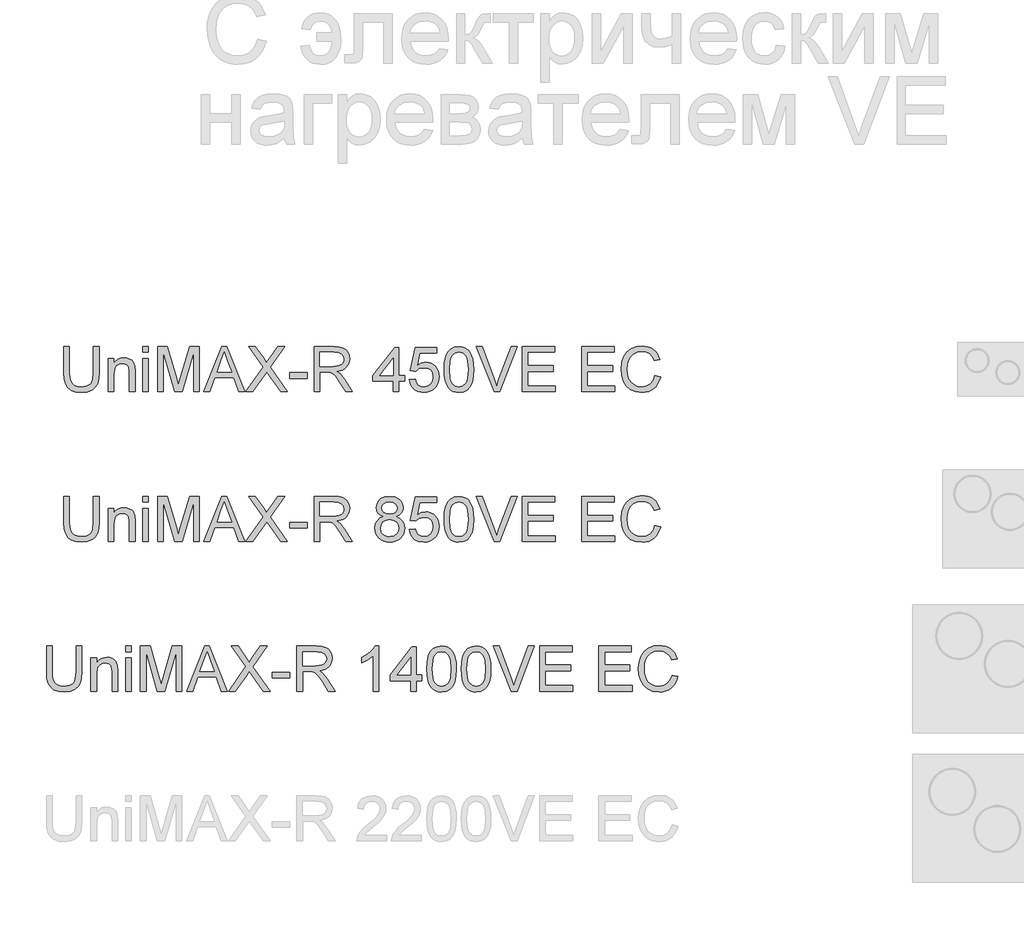
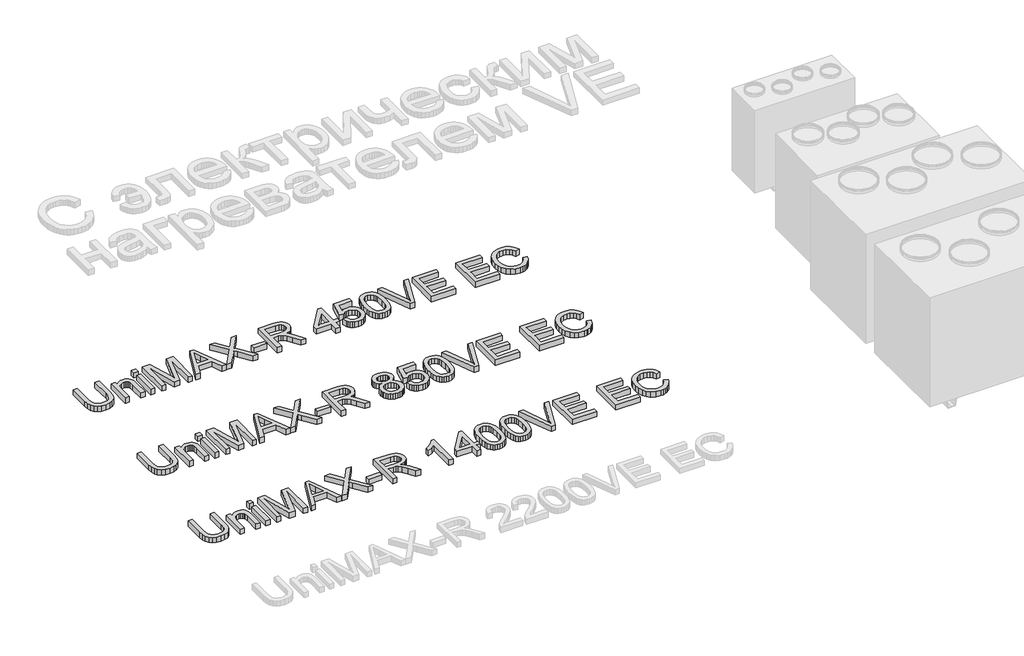
# One storey, part 46 of 74: 3 proxies.
"""IFC4 building model written with IfcOpenShell, lengths in millimetres."""

from ifc_helpers import new_model, si_unit, origin, origin_with_axes, place, context, project, spatial, polyline, outline, extrude, element, save

model = new_model("IFC4")

# Units and contexts
model_context = context("Model", 3, world=origin())
ifc_project = project(units=[si_unit("LENGTHUNIT", "METRE", prefix="MILLI")], contexts=[model_context])

# Site, building, storey
site = spatial("IfcSite", under=ifc_project)
building = spatial("IfcBuilding", under=site)
storey = spatial("IfcBuildingStorey", under=building, Elevation=0.0)

# Proxies
placement = place(None, origin())
element("IfcBuildingElementProxy", 1, Name="Generic Models", at=placement, inside=storey, context=model_context, shape_type="SweptSolid", body=[
    extrude(outline(polyline([(45260.9850854, -27731.9528304), (45298.6562017, -27731.9528304), (45298.6562017, -27905.8138613), (45296.0994218, -27946.5292011), (45288.4290822, -27977.8819441), (45274.1000785, -28002.0701853), (45251.5673063, -28021.2920196), (45220.7755833, -28033.8459926), (45181.6697272, -28038.0306503), (45143.4191968, -28034.3886186), (45112.8390059, -28023.4625233), (45089.9199576, -28005.6294436), (45074.6528548, -27981.2664585), (45066.0720073, -27948.5893403), (45063.2117248, -27905.8138613), (45063.2117248, -27731.9528304), (45100.8828411, -27731.9528304), (45100.8828411, -27904.4894861), (45102.7406451, -27938.3438267), (45108.3140574, -27961.9158655), (45118.4124181, -27978.2406291), (45133.8450678, -27990.3531438), (45153.968213, -27997.8579365), (45178.1380601, -28000.359534), (45216.4529698, -27995.4115212), (45230.7957691, -27989.2265052), (45241.928798, -27980.5674827), (45250.2659237, -27968.3905887), (45256.2210135, -27951.6519579), (45260.9850854, -27904.4894861), (45260.9850854, -27731.9528304)])), origin_with_axes(), (0.0, 0.0, 1.0), 50.0),
    extrude(outline(polyline([(45359.8717657, -28033.3217608), (45359.8717657, -27812.0039525), (45397.542882, -27812.0039525), (45397.542882, -27842.9060401), (45410.630284, -27827.3262376), (45426.3480422, -27816.1978072), (45444.6961567, -27809.520749), (45465.6746275, -27807.295063), (45484.2434712, -27809.0884877), (45501.2488164, -27814.4687619), (45515.4306673, -27822.7645009), (45525.5290281, -27833.30432), (45536.8230053, -27861.0058343), (45538.8095681, -27897.4261518), (45538.8095681, -28033.3217608), (45501.1384518, -28033.3217608), (45501.1384518, -27902.5029233), (45496.7974443, -27869.1728146), (45490.7917707, -27859.2491977), (45481.4567651, -27851.551267), (45469.4914032, -27846.6124512), (45455.5946608, -27844.9661793), (45433.5309382, -27848.6633933), (45414.7229712, -27859.7550355), (45407.2066821, -27868.8095311), (45401.8379043, -27881.1841617), (45397.542882, -27915.8938279), (45397.542882, -28033.3217608), (45359.8717657, -28033.3217608)])), origin_with_axes(), (0.0, 0.0, 1.0), 50.0),
    extrude(outline(polyline([(45590.607353, -28033.3217608), (45590.607353, -27812.0039525), (45628.2784694, -27812.0039525), (45628.2784694, -28033.3217608), (45590.607353, -28033.3217608)])), origin_with_axes(), (0.0, 0.0, 1.0), 50.0),
    extrude(outline(polyline([(45590.607353, -27769.6239467), (45590.607353, -27731.9528304), (45628.2784694, -27731.9528304), (45628.2784694, -27769.6239467), (45590.607353, -27769.6239467)])), origin_with_axes(), (0.0, 0.0, 1.0), 50.0),
    extrude(outline(polyline([(45689.4940333, -28033.3217608), (45689.4940333, -27731.9528304), (45754.3148409, -27731.9528304), (45815.9718633, -27944.3678944), (45828.4062747, -27988.734463), (45841.8707558, -27940.6890744), (45902.4977086, -27731.9528304), (45967.3185161, -27731.9528304), (45967.3185161, -28033.3217608), (45929.6473998, -28033.3217608), (45929.6473998, -27769.6239467), (45853.9372852, -28033.3217608), (45802.8752643, -28033.3217608), (45727.1651497, -27769.6239467), (45727.1651497, -28033.3217608), (45689.4940333, -28033.3217608)])), origin_with_axes(), (0.0, 0.0, 1.0), 50.0),
    extrude(outline(polyline([(45998.1470273, -28033.3217608), (46118.4444397, -27731.9528304), (46150.5237497, -27731.9528304), (46270.8211621, -28033.3217608), (46231.0163302, -28033.3217608), (46196.5089991, -27939.14397), (46072.3856139, -27939.14397), (46037.9518592, -28033.3217608), (45998.1470273, -28033.3217608)]), holes=[polyline([(46086.2179769, -27901.4728537), (46182.7502125, -27901.4728537), (46155.6005212, -27827.3814199), (46134.4840947, -27769.6239467), (46115.722113, -27820.9066968), (46086.2179769, -27901.4728537)])]), origin_with_axes(), (0.0, 0.0, 1.0), 50.0),
    extrude(outline(polyline([(46278.1052256, -28033.3217608), (46394.2823597, -27869.0992382), (46296.9407838, -27731.9528304), (46342.1166928, -27731.9528304), (46396.9311101, -27809.1344729), (46415.3987862, -27839.2272201), (46437.0302475, -27808.6194381), (46491.2560536, -27731.9528304), (46537.0941502, -27731.9528304), (46439.7525743, -27869.5406965), (46555.9297084, -28033.3217608), (46510.7537994, -28033.3217608), (46433.3514276, -27924.1343846), (46417.2381962, -27901.4728537), (46399.506284, -27926.3416766), (46323.9433222, -28033.3217608), (46278.1052256, -28033.3217608)])), origin_with_axes(), (0.0, 0.0, 1.0), 50.0),
    extrude(outline(polyline([(46570.056377, -27943.8528596), (46570.056377, -27906.1817433), (46687.7786155, -27906.1817433), (46687.7786155, -27943.8528596), (46570.056377, -27943.8528596)])), origin_with_axes(), (0.0, 0.0, 1.0), 50.0),
    extrude(outline(polyline([(46734.8675108, -28033.3217608), (46734.8675108, -27731.9528304), (46864.7298551, -27731.9528304), (46899.6326594, -27733.9853784), (46925.0257141, -27740.0830224), (46943.5853608, -27751.3402115), (46957.9879409, -27768.8513945), (46967.230976, -27790.5656292), (46970.3119878, -27814.4319737), (46965.2076251, -27844.1200507), (46949.894537, -27868.7313562), (46938.2947579, -27878.7607391), (46923.9128711, -27886.775968), (46886.8027749, -27896.7639642), (46908.213507, -27912.8771956), (46938.7477126, -27951.6519579), (46989.0003931, -28033.3217608), (46945.2224357, -28033.3217608), (46906.006215, -27970.855398), (46877.6793014, -27929.5054618), (46857.7768854, -27909.9709278), (46839.8610323, -27902.7972289), (46818.0088418, -27901.4728537), (46772.5386271, -27901.4728537), (46772.5386271, -28033.3217608), (46734.8675108, -28033.3217608)]), holes=[polyline([(46772.5386271, -27863.8017374), (46856.8571804, -27863.8017374), (46881.0730128, -27862.4681652), (46899.8625857, -27858.4674485), (46914.0076484, -27851.5328729), (46924.2899502, -27841.3977239), (46930.5531411, -27829.1380564), (46932.6408714, -27815.8299253), (46928.6585489, -27797.4542196), (46916.7115811, -27782.6469693), (46896.1561746, -27772.8797023), (46866.3485359, -27769.6239467), (46772.5386271, -27769.6239467), (46772.5386271, -27863.8017374)])]), origin_with_axes(), (0.0, 0.0, 1.0), 50.0),
    extrude(outline(polyline([(47262.2631391, -28033.3217608), (47262.2631391, -27962.6884177), (47125.7053425, -27962.6884177), (47125.7053425, -27925.0173014), (47271.6809182, -27736.6617199), (47299.9342554, -27736.6617199), (47299.9342554, -27925.0173014), (47337.6053717, -27925.0173014), (47337.6053717, -27962.6884177), (47299.9342554, -27962.6884177), (47299.9342554, -28033.3217608), (47262.2631391, -28033.3217608)]), holes=[polyline([(47262.2631391, -27925.0173014), (47262.2631391, -27808.6194381), (47172.0584739, -27925.0173014), (47262.2631391, -27925.0173014)])]), origin_with_axes(), (0.0, 0.0, 1.0), 50.0),
    extrude(outline(polyline([(47370.5675985, -27953.2706387), (47408.2387148, -27948.5617491), (47415.1548963, -27971.1772948), (47427.2214258, -27987.3732996), (47444.3831208, -27997.1129754), (47466.5847992, -28000.359534), (47493.5873377, -27995.8437825), (47513.8208474, -27982.2965281), (47526.457594, -27961.2812691), (47530.6698428, -27934.3615041), (47526.7243084, -27909.0144346), (47514.8877052, -27889.6270535), (47495.0680627, -27877.3214007), (47467.1734104, -27873.2195165), (47448.8988723, -27874.8565914), (47434.1008191, -27879.767816), (47412.9476044, -27896.7639642), (47375.276488, -27892.0550747), (47408.2387148, -27736.6617199), (47554.2142905, -27736.6617199), (47554.2142905, -27774.3328362), (47438.699344, -27774.3328362), (47422.5861126, -27857.3270143), (47449.4966806, -27840.9930537), (47477.6948355, -27835.5484002), (47496.0406508, -27837.2360588), (47512.8919454, -27842.2990348), (47528.2487194, -27850.7373281), (47542.1109729, -27862.5509386), (47553.5865918, -27877.0178981), (47561.7834626, -27893.416238), (47566.701585, -27911.7459584), (47568.3409591, -27932.0070593), (47562.4364531, -27969.6781756), (47555.0558206, -27986.4719887), (47544.722935, -28001.9046384), (47529.0695561, -28017.7097686), (47510.8042151, -28028.9991474), (47489.9269118, -28035.7727746), (47466.4376465, -28038.0306503), (47429.4379148, -28032.2273119), (47413.759244, -28024.9731388), (47399.9613699, -28014.8172964), (47388.4811524, -28002.2656226), (47379.7554513, -27987.823955), (47370.5675985, -27953.2706387)])), origin_with_axes(), (0.0, 0.0, 1.0), 50.0),
    extrude(outline(polyline([(47601.3031859, -27885.0653167), (47604.0714979, -27836.8267901), (47612.3764339, -27798.3555305), (47626.1352206, -27769.0629266), (47645.2650843, -27748.3603673), (47669.9039809, -27736.0547146), (47700.1898662, -27731.9528304), (47723.4032201, -27734.3808515), (47744.1885528, -27741.664915), (47761.5709771, -27753.5199123), (47774.5756056, -27769.6607349), (47784.3980549, -27789.9494269), (47792.2339414, -27814.2480327), (47797.3658952, -27845.104135), (47799.0765465, -27885.0653167), (47796.3358256, -27933.0279319), (47788.113663, -27971.407221), (47774.4376499, -28000.727416), (47755.3353773, -28021.5127488), (47730.6412983, -28033.9011749), (47700.1898662, -28038.0306503), (47679.4413217, -28036.2372256), (47661.0472219, -28030.8569514), (47645.0075669, -28021.8898278), (47631.3223567, -28009.3358547), (47618.1889695, -27986.6421341), (47608.8079786, -27958.3658043), (47603.1793841, -27924.5068652), (47601.3031859, -27885.0653167)]), holes=[polyline([(47638.9743022, -27884.9917403), (47643.3888861, -27944.2483327), (47648.9071161, -27964.5163314), (47656.632638, -27978.5441317), (47676.3511129, -27994.9056835), (47700.1898662, -28000.359534), (47724.0286195, -27994.8872894), (47743.7470944, -27978.4705553), (47751.4726163, -27964.4197624), (47756.9908462, -27944.1563622), (47761.4054302, -27884.9917403), (47757.137999, -27827.0687202), (47751.8037101, -27806.8674001), (47744.3357056, -27792.5062068), (47724.6540189, -27775.3445117), (47699.7484078, -27769.6239467), (47676.1671719, -27774.66393), (47657.2212491, -27789.78388), (47649.2382099, -27805.4188648), (47643.5360389, -27826.4985031), (47638.9743022, -27884.9917403)])]), origin_with_axes(), (0.0, 0.0, 1.0), 50.0),
    extrude(outline(polyline([(47935.1928847, -28033.3217608), (47815.2633543, -27731.9528304), (47855.5832209, -27731.9528304), (47935.8550723, -27949.0767839), (47952.1154565, -27998.0050893), (47968.1551115, -27949.0767839), (48048.647692, -27731.9528304), (48088.9675587, -27731.9528304), (47974.1147998, -28033.3217608), (47935.1928847, -28033.3217608)])), origin_with_axes(), (0.0, 0.0, 1.0), 50.0),
    extrude(outline(polyline([(48123.9899246, -28033.3217608), (48123.9899246, -27731.9528304), (48340.5988434, -27731.9528304), (48340.5988434, -27769.6239467), (48161.6610409, -27769.6239467), (48161.6610409, -27859.0928479), (48331.1810643, -27859.0928479), (48331.1810643, -27896.7639642), (48161.6610409, -27896.7639642), (48161.6610409, -27995.6506445), (48345.3077329, -27995.6506445), (48345.3077329, -28033.3217608), (48123.9899246, -28033.3217608)])), origin_with_axes(), (0.0, 0.0, 1.0), 50.0),
    extrude(outline(polyline([(48519.5366458, -28033.3217608), (48519.5366458, -27731.9528304), (48736.1455646, -27731.9528304), (48736.1455646, -27769.6239467), (48557.2077622, -27769.6239467), (48557.2077622, -27859.0928479), (48726.7277855, -27859.0928479), (48726.7277855, -27896.7639642), (48557.2077622, -27896.7639642), (48557.2077622, -27995.6506445), (48740.8544541, -27995.6506445), (48740.8544541, -28033.3217608), (48519.5366458, -28033.3217608)])), origin_with_axes(), (0.0, 0.0, 1.0), 50.0),
    extrude(outline(polyline([(49009.2611578, -27926.1945238), (49046.9322741, -27935.9066085), (49039.4780652, -27959.3337938), (49029.5498499, -27979.8041276), (49017.1476281, -27997.3176098), (49002.2713999, -28011.8742405), (48985.2568576, -28023.3176698), (48966.4396936, -28031.4915479), (48945.8199078, -28036.3958747), (48923.3975001, -28038.0306503), (48879.7023162, -28033.0826375), (48845.001847, -28018.238599), (48818.4039787, -27994.0135696), (48799.0165976, -27960.9225842), (48787.1799944, -27922.0190632), (48783.23446, -27880.3564272), (48787.6950292, -27836.4129229), (48801.0767368, -27798.4658951), (48822.6806069, -27767.7201573), (48851.8076639, -27745.3805232), (48886.3517832, -27731.7780864), (48924.2068405, -27727.2439408), (48965.5107915, -27733.1116586), (48983.4795277, -27740.4463059), (48999.6594377, -27750.7148121), (49013.7838071, -27763.6458642), (49025.5859214, -27778.9681493), (49042.2233846, -27816.7864184), (49004.5522683, -27825.7627391), (48991.4924575, -27798.2911511), (48973.6501807, -27779.4463959), (48950.8047088, -27768.5478918), (48922.7353126, -27764.9150571), (48890.3800911, -27768.943365), (48863.8006169, -27781.0282885), (48843.6314865, -27799.9006349), (48830.5072964, -27824.2912111), (48823.3060063, -27851.8639667), (48820.9055763, -27880.2828508), (48823.7474647, -27915.0844876), (48832.2731299, -27945.1772348), (48846.8044688, -27969.4114612), (48867.6633779, -27986.6375356), (48892.6701565, -27996.9290344), (48919.6451038, -28000.359534), (48951.0898173, -27995.6874327), (48977.2922124, -27981.6711287), (48997.0750667, -27958.4577748), (49009.2611578, -27926.1945238)])), origin_with_axes(), (0.0, 0.0, 1.0), 50.0),
])
element("IfcBuildingElementProxy", 2, Name="Generic Models", at=placement, inside=storey, context=model_context, shape_type="SweptSolid", body=[
    extrude(outline(polyline([(45260.9850854, -28731.9528304), (45298.6562017, -28731.9528304), (45298.6562017, -28905.8138613), (45296.0994218, -28946.5292011), (45288.4290822, -28977.8819441), (45274.1000785, -29002.0701853), (45251.5673063, -29021.2920196), (45220.7755833, -29033.8459926), (45181.6697272, -29038.0306503), (45143.4191968, -29034.3886186), (45112.8390059, -29023.4625233), (45089.9199576, -29005.6294436), (45074.6528548, -28981.2664585), (45066.0720073, -28948.5893403), (45063.2117248, -28905.8138613), (45063.2117248, -28731.9528304), (45100.8828411, -28731.9528304), (45100.8828411, -28904.4894861), (45102.7406451, -28938.3438267), (45108.3140574, -28961.9158655), (45118.4124181, -28978.2406291), (45133.8450678, -28990.3531438), (45153.968213, -28997.8579365), (45178.1380601, -29000.359534), (45216.4529698, -28995.4115212), (45230.7957691, -28989.2265052), (45241.928798, -28980.5674827), (45250.2659237, -28968.3905887), (45256.2210135, -28951.6519579), (45260.9850854, -28904.4894861), (45260.9850854, -28731.9528304)])), origin_with_axes(), (0.0, 0.0, 1.0), 50.0),
    extrude(outline(polyline([(45359.8717657, -29033.3217608), (45359.8717657, -28812.0039525), (45397.542882, -28812.0039525), (45397.542882, -28842.9060401), (45410.630284, -28827.3262376), (45426.3480422, -28816.1978072), (45444.6961567, -28809.520749), (45465.6746275, -28807.295063), (45484.2434712, -28809.0884877), (45501.2488164, -28814.4687619), (45515.4306673, -28822.7645009), (45525.5290281, -28833.30432), (45536.8230053, -28861.0058343), (45538.8095681, -28897.4261518), (45538.8095681, -29033.3217608), (45501.1384518, -29033.3217608), (45501.1384518, -28902.5029233), (45496.7974443, -28869.1728146), (45490.7917707, -28859.2491977), (45481.4567651, -28851.551267), (45469.4914032, -28846.6124512), (45455.5946608, -28844.9661793), (45433.5309382, -28848.6633933), (45414.7229712, -28859.7550355), (45407.2066821, -28868.8095311), (45401.8379043, -28881.1841617), (45397.542882, -28915.8938279), (45397.542882, -29033.3217608), (45359.8717657, -29033.3217608)])), origin_with_axes(), (0.0, 0.0, 1.0), 50.0),
    extrude(outline(polyline([(45590.607353, -29033.3217608), (45590.607353, -28812.0039525), (45628.2784694, -28812.0039525), (45628.2784694, -29033.3217608), (45590.607353, -29033.3217608)])), origin_with_axes(), (0.0, 0.0, 1.0), 50.0),
    extrude(outline(polyline([(45590.607353, -28769.6239467), (45590.607353, -28731.9528304), (45628.2784694, -28731.9528304), (45628.2784694, -28769.6239467), (45590.607353, -28769.6239467)])), origin_with_axes(), (0.0, 0.0, 1.0), 50.0),
    extrude(outline(polyline([(45689.4940333, -29033.3217608), (45689.4940333, -28731.9528304), (45754.3148409, -28731.9528304), (45815.9718633, -28944.3678944), (45828.4062747, -28988.734463), (45841.8707558, -28940.6890744), (45902.4977086, -28731.9528304), (45967.3185161, -28731.9528304), (45967.3185161, -29033.3217608), (45929.6473998, -29033.3217608), (45929.6473998, -28769.6239467), (45853.9372852, -29033.3217608), (45802.8752643, -29033.3217608), (45727.1651497, -28769.6239467), (45727.1651497, -29033.3217608), (45689.4940333, -29033.3217608)])), origin_with_axes(), (0.0, 0.0, 1.0), 50.0),
    extrude(outline(polyline([(45998.1470273, -29033.3217608), (46118.4444397, -28731.9528304), (46150.5237497, -28731.9528304), (46270.8211621, -29033.3217608), (46231.0163302, -29033.3217608), (46196.5089991, -28939.14397), (46072.3856139, -28939.14397), (46037.9518592, -29033.3217608), (45998.1470273, -29033.3217608)]), holes=[polyline([(46086.2179769, -28901.4728537), (46182.7502125, -28901.4728537), (46155.6005212, -28827.3814199), (46134.4840947, -28769.6239467), (46115.722113, -28820.9066968), (46086.2179769, -28901.4728537)])]), origin_with_axes(), (0.0, 0.0, 1.0), 50.0),
    extrude(outline(polyline([(46278.1052256, -29033.3217608), (46394.2823597, -28869.0992382), (46296.9407838, -28731.9528304), (46342.1166928, -28731.9528304), (46396.9311101, -28809.1344729), (46415.3987862, -28839.2272201), (46437.0302475, -28808.6194381), (46491.2560536, -28731.9528304), (46537.0941502, -28731.9528304), (46439.7525743, -28869.5406965), (46555.9297084, -29033.3217608), (46510.7537994, -29033.3217608), (46433.3514276, -28924.1343846), (46417.2381962, -28901.4728537), (46399.506284, -28926.3416766), (46323.9433222, -29033.3217608), (46278.1052256, -29033.3217608)])), origin_with_axes(), (0.0, 0.0, 1.0), 50.0),
    extrude(outline(polyline([(46570.056377, -28943.8528596), (46570.056377, -28906.1817433), (46687.7786155, -28906.1817433), (46687.7786155, -28943.8528596), (46570.056377, -28943.8528596)])), origin_with_axes(), (0.0, 0.0, 1.0), 50.0),
    extrude(outline(polyline([(46734.8675108, -29033.3217608), (46734.8675108, -28731.9528304), (46864.7298551, -28731.9528304), (46899.6326594, -28733.9853784), (46925.0257141, -28740.0830224), (46943.5853608, -28751.3402115), (46957.9879409, -28768.8513945), (46967.230976, -28790.5656292), (46970.3119878, -28814.4319737), (46965.2076251, -28844.1200507), (46949.894537, -28868.7313562), (46938.2947579, -28878.7607391), (46923.9128711, -28886.775968), (46886.8027749, -28896.7639642), (46908.213507, -28912.8771956), (46938.7477126, -28951.6519579), (46989.0003931, -29033.3217608), (46945.2224357, -29033.3217608), (46906.006215, -28970.855398), (46877.6793014, -28929.5054618), (46857.7768854, -28909.9709278), (46839.8610323, -28902.7972289), (46818.0088418, -28901.4728537), (46772.5386271, -28901.4728537), (46772.5386271, -29033.3217608), (46734.8675108, -29033.3217608)]), holes=[polyline([(46772.5386271, -28863.8017374), (46856.8571804, -28863.8017374), (46881.0730128, -28862.4681652), (46899.8625857, -28858.4674485), (46914.0076484, -28851.5328729), (46924.2899502, -28841.3977239), (46930.5531411, -28829.1380564), (46932.6408714, -28815.8299253), (46928.6585489, -28797.4542196), (46916.7115811, -28782.6469693), (46896.1561746, -28772.8797023), (46866.3485359, -28769.6239467), (46772.5386271, -28769.6239467), (46772.5386271, -28863.8017374)])]), origin_with_axes(), (0.0, 0.0, 1.0), 50.0),
    extrude(outline(polyline([(47194.7200048, -28867.3334046), (47174.5508744, -28857.4005907), (47160.3966147, -28843.9361097), (47152.0364963, -28827.215873), (47149.2497902, -28807.5157922), (47150.7673034, -28792.1521203), (47155.3198431, -28778.0668384), (47162.9074093, -28765.2599465), (47173.5300019, -28753.7314445), (47186.6771847, -28744.2033008), (47201.8385214, -28737.3974839), (47238.2036566, -28731.9528304), (47274.7895211, -28737.5262426), (47290.1164047, -28744.4930079), (47303.4659226, -28754.2464793), (47314.2816532, -28766.000309), (47322.0071751, -28778.9681493), (47326.6424883, -28793.1500003), (47328.1875927, -28808.5458617), (47325.4376747, -28827.6113461), (47317.187921, -28844.0464743), (47303.3463609, -28857.4281819), (47283.821024, -28867.3334046), (47307.0067868, -28879.2803724), (47323.8833733, -28896.8743288), (47334.1748721, -28919.2691452), (47337.6053717, -28945.6186932), (47335.9039175, -28964.4082661), (47330.7995548, -28981.6343405), (47322.2922837, -28997.2969164), (47310.3821041, -29011.3959939), (47295.6944154, -29023.0486561), (47278.8546171, -29031.3719862), (47259.8627091, -29036.3659843), (47238.7186914, -29038.0306503), (47217.5746738, -29036.3590865), (47198.5827658, -29031.3443951), (47181.7429674, -29022.986576), (47167.0552788, -29011.2856293), (47155.1450992, -28997.0876835), (47146.637828, -28981.2388673), (47141.5334654, -28963.7391807), (47139.8320111, -28944.5886236), (47143.4004665, -28917.2182031), (47154.1058325, -28894.703825), (47171.3962863, -28877.8180414), (47194.7200048, -28867.3334046)]), holes=[polyline([(47177.5031274, -28943.2642484), (47183.7939096, -28971.6279502), (47192.5035158, -28983.7956472), (47206.0507703, -28992.8547413), (47222.2743663, -28998.4833359), (47239.012997, -29000.359534), (47264.6543721, -28996.4139996), (47283.8946004, -28984.5773964), (47295.9243417, -28966.6523462), (47299.9342554, -28944.4414708), (47295.795583, -28921.8535163), (47283.3795657, -28903.5329929), (47263.6978789, -28891.3928871), (47237.7621982, -28887.3461851), (47212.4795081, -28891.3377048), (47193.4324178, -28903.3122637), (47181.48545, -28921.2832992), (47177.5031274, -28943.2642484)]), polyline([(47186.9209065, -28808.6194381), (47190.2594356, -28825.0637633), (47200.2750229, -28838.1971506), (47216.6733629, -28846.8055892), (47239.1601498, -28849.6750688), (47261.1227049, -28846.8239833), (47277.2727245, -28838.270727), (47287.2055384, -28825.5787981), (47290.5164764, -28810.3116953), (47287.0951738, -28794.4651784), (47276.8312661, -28781.3593823), (47260.4605174, -28772.5578056), (47238.7186914, -28769.6239467), (47216.8389098, -28772.4934262), (47200.4957521, -28781.1018649), (47190.3146179, -28793.7202173), (47186.9209065, -28808.6194381)])]), origin_with_axes(), (0.0, 0.0, 1.0), 50.0),
    extrude(outline(polyline([(47370.5675985, -28953.2706387), (47408.2387148, -28948.5617491), (47415.1548963, -28971.1772948), (47427.2214258, -28987.3732996), (47444.3831208, -28997.1129754), (47466.5847992, -29000.359534), (47493.5873377, -28995.8437825), (47513.8208474, -28982.2965281), (47526.457594, -28961.2812691), (47530.6698428, -28934.3615041), (47526.7243084, -28909.0144346), (47514.8877052, -28889.6270535), (47495.0680627, -28877.3214007), (47467.1734104, -28873.2195165), (47448.8988723, -28874.8565914), (47434.1008191, -28879.767816), (47412.9476044, -28896.7639642), (47375.276488, -28892.0550747), (47408.2387148, -28736.6617199), (47554.2142905, -28736.6617199), (47554.2142905, -28774.3328362), (47438.699344, -28774.3328362), (47422.5861126, -28857.3270143), (47449.4966806, -28840.9930537), (47477.6948355, -28835.5484002), (47496.0406508, -28837.2360588), (47512.8919454, -28842.2990348), (47528.2487194, -28850.7373281), (47542.1109729, -28862.5509386), (47553.5865918, -28877.0178981), (47561.7834626, -28893.416238), (47566.701585, -28911.7459584), (47568.3409591, -28932.0070593), (47562.4364531, -28969.6781756), (47555.0558206, -28986.4719887), (47544.722935, -29001.9046384), (47529.0695561, -29017.7097686), (47510.8042151, -29028.9991474), (47489.9269118, -29035.7727746), (47466.4376465, -29038.0306503), (47429.4379148, -29032.2273119), (47413.759244, -29024.9731388), (47399.9613699, -29014.8172964), (47388.4811524, -29002.2656226), (47379.7554513, -28987.823955), (47370.5675985, -28953.2706387)])), origin_with_axes(), (0.0, 0.0, 1.0), 50.0),
    extrude(outline(polyline([(47601.3031859, -28885.0653167), (47604.0714979, -28836.8267901), (47612.3764339, -28798.3555305), (47626.1352206, -28769.0629266), (47645.2650843, -28748.3603673), (47669.9039809, -28736.0547146), (47700.1898662, -28731.9528304), (47723.4032201, -28734.3808515), (47744.1885528, -28741.664915), (47761.5709771, -28753.5199123), (47774.5756056, -28769.6607349), (47784.3980549, -28789.9494269), (47792.2339414, -28814.2480327), (47797.3658952, -28845.104135), (47799.0765465, -28885.0653167), (47796.3358256, -28933.0279319), (47788.113663, -28971.407221), (47774.4376499, -29000.727416), (47755.3353773, -29021.5127488), (47730.6412983, -29033.9011749), (47700.1898662, -29038.0306503), (47679.4413217, -29036.2372256), (47661.0472219, -29030.8569514), (47645.0075669, -29021.8898278), (47631.3223567, -29009.3358547), (47618.1889695, -28986.6421341), (47608.8079786, -28958.3658043), (47603.1793841, -28924.5068652), (47601.3031859, -28885.0653167)]), holes=[polyline([(47638.9743022, -28884.9917403), (47643.3888861, -28944.2483327), (47648.9071161, -28964.5163314), (47656.632638, -28978.5441317), (47676.3511129, -28994.9056835), (47700.1898662, -29000.359534), (47724.0286195, -28994.8872894), (47743.7470944, -28978.4705553), (47751.4726163, -28964.4197624), (47756.9908462, -28944.1563622), (47761.4054302, -28884.9917403), (47757.137999, -28827.0687202), (47751.8037101, -28806.8674001), (47744.3357056, -28792.5062068), (47724.6540189, -28775.3445117), (47699.7484078, -28769.6239467), (47676.1671719, -28774.66393), (47657.2212491, -28789.78388), (47649.2382099, -28805.4188648), (47643.5360389, -28826.4985031), (47638.9743022, -28884.9917403)])]), origin_with_axes(), (0.0, 0.0, 1.0), 50.0),
    extrude(outline(polyline([(47935.1928847, -29033.3217608), (47815.2633543, -28731.9528304), (47855.5832209, -28731.9528304), (47935.8550723, -28949.0767839), (47952.1154565, -28998.0050893), (47968.1551115, -28949.0767839), (48048.647692, -28731.9528304), (48088.9675587, -28731.9528304), (47974.1147998, -29033.3217608), (47935.1928847, -29033.3217608)])), origin_with_axes(), (0.0, 0.0, 1.0), 50.0),
    extrude(outline(polyline([(48123.9899246, -29033.3217608), (48123.9899246, -28731.9528304), (48340.5988434, -28731.9528304), (48340.5988434, -28769.6239467), (48161.6610409, -28769.6239467), (48161.6610409, -28859.0928479), (48331.1810643, -28859.0928479), (48331.1810643, -28896.7639642), (48161.6610409, -28896.7639642), (48161.6610409, -28995.6506445), (48345.3077329, -28995.6506445), (48345.3077329, -29033.3217608), (48123.9899246, -29033.3217608)])), origin_with_axes(), (0.0, 0.0, 1.0), 50.0),
    extrude(outline(polyline([(48519.5366458, -29033.3217608), (48519.5366458, -28731.9528304), (48736.1455646, -28731.9528304), (48736.1455646, -28769.6239467), (48557.2077622, -28769.6239467), (48557.2077622, -28859.0928479), (48726.7277855, -28859.0928479), (48726.7277855, -28896.7639642), (48557.2077622, -28896.7639642), (48557.2077622, -28995.6506445), (48740.8544541, -28995.6506445), (48740.8544541, -29033.3217608), (48519.5366458, -29033.3217608)])), origin_with_axes(), (0.0, 0.0, 1.0), 50.0),
    extrude(outline(polyline([(49009.2611578, -28926.1945238), (49046.9322741, -28935.9066085), (49039.4780652, -28959.3337938), (49029.5498499, -28979.8041276), (49017.1476281, -28997.3176098), (49002.2713999, -29011.8742405), (48985.2568576, -29023.3176698), (48966.4396936, -29031.4915479), (48945.8199078, -29036.3958747), (48923.3975001, -29038.0306503), (48879.7023162, -29033.0826375), (48845.001847, -29018.238599), (48818.4039787, -28994.0135696), (48799.0165976, -28960.9225842), (48787.1799944, -28922.0190632), (48783.23446, -28880.3564272), (48787.6950292, -28836.4129229), (48801.0767368, -28798.4658951), (48822.6806069, -28767.7201573), (48851.8076639, -28745.3805232), (48886.3517832, -28731.7780864), (48924.2068405, -28727.2439408), (48965.5107915, -28733.1116586), (48983.4795277, -28740.4463059), (48999.6594377, -28750.7148121), (49013.7838071, -28763.6458642), (49025.5859214, -28778.9681493), (49042.2233846, -28816.7864184), (49004.5522683, -28825.7627391), (48991.4924575, -28798.2911511), (48973.6501807, -28779.4463959), (48950.8047088, -28768.5478918), (48922.7353126, -28764.9150571), (48890.3800911, -28768.943365), (48863.8006169, -28781.0282885), (48843.6314865, -28799.9006349), (48830.5072964, -28824.2912111), (48823.3060063, -28851.8639667), (48820.9055763, -28880.2828508), (48823.7474647, -28915.0844876), (48832.2731299, -28945.1772348), (48846.8044688, -28969.4114612), (48867.6633779, -28986.6375356), (48892.6701565, -28996.9290344), (48919.6451038, -29000.359534), (48951.0898173, -28995.6874327), (48977.2922124, -28981.6711287), (48997.0750667, -28958.4577748), (49009.2611578, -28926.1945238)])), origin_with_axes(), (0.0, 0.0, 1.0), 50.0),
])
element("IfcBuildingElementProxy", 3, Name="Generic Models", at=placement, inside=storey, context=model_context, shape_type="SweptSolid", body=[
    extrude(outline(polyline([(45145.6172917, -29731.9528304), (45183.288408, -29731.9528304), (45183.288408, -29905.8138613), (45180.7316281, -29946.5292011), (45173.0612885, -29977.8819441), (45158.7322848, -30002.0701853), (45136.1995126, -30021.2920196), (45105.4077896, -30033.8459926), (45066.3019335, -30038.0306503), (45028.0514031, -30034.3886186), (44997.4712122, -30023.4625233), (44974.5521639, -30005.6294436), (44959.2850611, -29981.2664585), (44950.7042136, -29948.5893403), (44947.8439311, -29905.8138613), (44947.8439311, -29731.9528304), (44985.5150474, -29731.9528304), (44985.5150474, -29904.4894861), (44987.3728515, -29938.3438267), (44992.9462637, -29961.9158655), (45003.0446244, -29978.2406291), (45018.4772741, -29990.3531438), (45038.6004193, -29997.8579365), (45062.7702664, -30000.359534), (45101.0851762, -29995.4115212), (45115.4279754, -29989.2265052), (45126.5610043, -29980.5674827), (45134.89813, -29968.3905887), (45140.8532198, -29951.6519579), (45145.6172917, -29904.4894861), (45145.6172917, -29731.9528304)])), origin_with_axes(), (0.0, 0.0, 1.0), 50.0),
    extrude(outline(polyline([(45244.503972, -30033.3217608), (45244.503972, -29812.0039525), (45282.1750883, -29812.0039525), (45282.1750883, -29842.9060401), (45295.2624903, -29827.3262376), (45310.9802485, -29816.1978072), (45329.328363, -29809.520749), (45350.3068338, -29807.295063), (45368.8756775, -29809.0884877), (45385.8810227, -29814.4687619), (45400.0628736, -29822.7645009), (45410.1612344, -29833.30432), (45421.4552117, -29861.0058343), (45423.4417744, -29897.4261518), (45423.4417744, -30033.3217608), (45385.7706581, -30033.3217608), (45385.7706581, -29902.5029233), (45381.4296506, -29869.1728146), (45375.423977, -29859.2491977), (45366.0889714, -29851.551267), (45354.1236095, -29846.6124512), (45340.2268671, -29844.9661793), (45318.1631445, -29848.6633933), (45299.3551775, -29859.7550355), (45291.8388884, -29868.8095311), (45286.4701106, -29881.1841617), (45282.1750883, -29915.8938279), (45282.1750883, -30033.3217608), (45244.503972, -30033.3217608)])), origin_with_axes(), (0.0, 0.0, 1.0), 50.0),
    extrude(outline(polyline([(45475.2395594, -30033.3217608), (45475.2395594, -29812.0039525), (45512.9106757, -29812.0039525), (45512.9106757, -30033.3217608), (45475.2395594, -30033.3217608)])), origin_with_axes(), (0.0, 0.0, 1.0), 50.0),
    extrude(outline(polyline([(45475.2395594, -29769.6239467), (45475.2395594, -29731.9528304), (45512.9106757, -29731.9528304), (45512.9106757, -29769.6239467), (45475.2395594, -29769.6239467)])), origin_with_axes(), (0.0, 0.0, 1.0), 50.0),
    extrude(outline(polyline([(45574.1262397, -30033.3217608), (45574.1262397, -29731.9528304), (45638.9470472, -29731.9528304), (45700.6040696, -29944.3678944), (45713.038481, -29988.734463), (45726.5029621, -29940.6890744), (45787.1299149, -29731.9528304), (45851.9507224, -29731.9528304), (45851.9507224, -30033.3217608), (45814.2796061, -30033.3217608), (45814.2796061, -29769.6239467), (45738.5694915, -30033.3217608), (45687.5074706, -30033.3217608), (45611.797356, -29769.6239467), (45611.797356, -30033.3217608), (45574.1262397, -30033.3217608)])), origin_with_axes(), (0.0, 0.0, 1.0), 50.0),
    extrude(outline(polyline([(45882.7792336, -30033.3217608), (46003.076646, -29731.9528304), (46035.155956, -29731.9528304), (46155.4533684, -30033.3217608), (46115.6485366, -30033.3217608), (46081.1412054, -29939.14397), (45957.0178202, -29939.14397), (45922.5840655, -30033.3217608), (45882.7792336, -30033.3217608)]), holes=[polyline([(45970.8501833, -29901.4728537), (46067.3824188, -29901.4728537), (46040.2327275, -29827.3814199), (46019.116301, -29769.6239467), (46000.3543193, -29820.9066968), (45970.8501833, -29901.4728537)])]), origin_with_axes(), (0.0, 0.0, 1.0), 50.0),
    extrude(outline(polyline([(46162.7374319, -30033.3217608), (46278.914566, -29869.0992382), (46181.5729901, -29731.9528304), (46226.7488991, -29731.9528304), (46281.5633164, -29809.1344729), (46300.0309925, -29839.2272201), (46321.6624539, -29808.6194381), (46375.8882599, -29731.9528304), (46421.7263565, -29731.9528304), (46324.3847806, -29869.5406965), (46440.5619147, -30033.3217608), (46395.3860057, -30033.3217608), (46317.9836339, -29924.1343846), (46301.8704025, -29901.4728537), (46284.1384904, -29926.3416766), (46208.5755285, -30033.3217608), (46162.7374319, -30033.3217608)])), origin_with_axes(), (0.0, 0.0, 1.0), 50.0),
    extrude(outline(polyline([(46454.6885833, -29943.8528596), (46454.6885833, -29906.1817433), (46572.4108218, -29906.1817433), (46572.4108218, -29943.8528596), (46454.6885833, -29943.8528596)])), origin_with_axes(), (0.0, 0.0, 1.0), 50.0),
    extrude(outline(polyline([(46619.4997172, -30033.3217608), (46619.4997172, -29731.9528304), (46749.3620615, -29731.9528304), (46784.2648657, -29733.9853784), (46809.6579205, -29740.0830224), (46828.2175671, -29751.3402115), (46842.6201472, -29768.8513945), (46851.8631824, -29790.5656292), (46854.9441941, -29814.4319737), (46849.8398314, -29844.1200507), (46834.5267433, -29868.7313562), (46822.9269642, -29878.7607391), (46808.5450774, -29886.775968), (46771.4349812, -29896.7639642), (46792.8457133, -29912.8771956), (46823.3799189, -29951.6519579), (46873.6325994, -30033.3217608), (46829.854642, -30033.3217608), (46790.6384213, -29970.855398), (46762.3115077, -29929.5054618), (46742.4090917, -29909.9709278), (46724.4932386, -29902.7972289), (46702.6410481, -29901.4728537), (46657.1708335, -29901.4728537), (46657.1708335, -30033.3217608), (46619.4997172, -30033.3217608)]), holes=[polyline([(46657.1708335, -29863.8017374), (46741.4893868, -29863.8017374), (46765.7052191, -29862.4681652), (46784.494792, -29858.4674485), (46798.6398547, -29851.5328729), (46808.9221565, -29841.3977239), (46815.1853474, -29829.1380564), (46817.2730778, -29815.8299253), (46813.2907552, -29797.4542196), (46801.3437874, -29782.6469693), (46780.7883809, -29772.8797023), (46750.9807422, -29769.6239467), (46657.1708335, -29769.6239467), (46657.1708335, -29863.8017374)])]), origin_with_axes(), (0.0, 0.0, 1.0), 50.0),
    extrude(outline(polyline([(47165.7309036, -30033.3217608), (47128.0597873, -30033.3217608), (47128.0597873, -29798.4658951), (47092.3752338, -29823.8865409), (47052.7175547, -29842.9060401), (47052.7175547, -29807.295063), (47082.3044641, -29791.2002257), (47107.9366422, -29772.0519678), (47128.1425607, -29751.6896994), (47141.4506919, -29731.9528304), (47165.7309036, -29731.9528304), (47165.7309036, -30033.3217608)])), origin_with_axes(), (0.0, 0.0, 1.0), 50.0),
    extrude(outline(polyline([(47377.6309328, -30033.3217608), (47377.6309328, -29962.6884177), (47241.0731362, -29962.6884177), (47241.0731362, -29925.0173014), (47387.0487119, -29736.6617199), (47415.3020491, -29736.6617199), (47415.3020491, -29925.0173014), (47452.9731654, -29925.0173014), (47452.9731654, -29962.6884177), (47415.3020491, -29962.6884177), (47415.3020491, -30033.3217608), (47377.6309328, -30033.3217608)]), holes=[polyline([(47377.6309328, -29925.0173014), (47377.6309328, -29808.6194381), (47287.4262676, -29925.0173014), (47377.6309328, -29925.0173014)])]), origin_with_axes(), (0.0, 0.0, 1.0), 50.0),
    extrude(outline(polyline([(47485.9353922, -29885.0653167), (47488.7037042, -29836.8267901), (47497.0086403, -29798.3555305), (47510.7674269, -29769.0629266), (47529.8972906, -29748.3603673), (47554.5361872, -29736.0547146), (47584.8220725, -29731.9528304), (47608.0354264, -29734.3808515), (47628.8207591, -29741.664915), (47646.2031834, -29753.5199123), (47659.2078119, -29769.6607349), (47669.0302612, -29789.9494269), (47676.8661477, -29814.2480327), (47681.9981015, -29845.104135), (47683.7087528, -29885.0653167), (47680.9680319, -29933.0279319), (47672.7458693, -29971.407221), (47659.0698562, -30000.727416), (47639.9675836, -30021.5127488), (47615.2735046, -30033.9011749), (47584.8220725, -30038.0306503), (47564.073528, -30036.2372256), (47545.6794282, -30030.8569514), (47529.6397732, -30021.8898278), (47515.954563, -30009.3358547), (47502.8211758, -29986.6421341), (47493.4401849, -29958.3658043), (47487.8115904, -29924.5068652), (47485.9353922, -29885.0653167)]), holes=[polyline([(47523.6065085, -29884.9917403), (47528.0210924, -29944.2483327), (47533.5393224, -29964.5163314), (47541.2648443, -29978.5441317), (47560.9833192, -29994.9056835), (47584.8220725, -30000.359534), (47608.6608258, -29994.8872894), (47628.3793007, -29978.4705553), (47636.1048226, -29964.4197624), (47641.6230526, -29944.1563622), (47646.0376365, -29884.9917403), (47641.7702054, -29827.0687202), (47636.4359164, -29806.8674001), (47628.9679119, -29792.5062068), (47609.2862252, -29775.3445117), (47584.3806141, -29769.6239467), (47560.7993782, -29774.66393), (47541.8534555, -29789.78388), (47533.8704162, -29805.4188648), (47528.1682452, -29826.4985031), (47523.6065085, -29884.9917403)])]), origin_with_axes(), (0.0, 0.0, 1.0), 50.0),
    extrude(outline(polyline([(47716.6709796, -29885.0653167), (47719.4392916, -29836.8267901), (47727.7442276, -29798.3555305), (47741.5030142, -29769.0629266), (47760.632878, -29748.3603673), (47785.2717746, -29736.0547146), (47815.5576599, -29731.9528304), (47838.7710138, -29734.3808515), (47859.5563465, -29741.664915), (47876.9387708, -29753.5199123), (47889.9433993, -29769.6607349), (47899.7658486, -29789.9494269), (47907.6017351, -29814.2480327), (47912.7336889, -29845.104135), (47914.4443402, -29885.0653167), (47911.7036193, -29933.0279319), (47903.4814567, -29971.407221), (47889.8054436, -30000.727416), (47870.703171, -30021.5127488), (47846.009092, -30033.9011749), (47815.5576599, -30038.0306503), (47794.8091153, -30036.2372256), (47776.4150156, -30030.8569514), (47760.3753606, -30021.8898278), (47746.6901504, -30009.3358547), (47733.5567631, -29986.6421341), (47724.1757723, -29958.3658043), (47718.5471777, -29924.5068652), (47716.6709796, -29885.0653167)]), holes=[polyline([(47754.3420959, -29884.9917403), (47758.7566798, -29944.2483327), (47764.2749097, -29964.5163314), (47772.0004316, -29978.5441317), (47791.7189066, -29994.9056835), (47815.5576599, -30000.359534), (47839.3964132, -29994.8872894), (47859.1148881, -29978.4705553), (47866.84041, -29964.4197624), (47872.3586399, -29944.1563622), (47876.7732239, -29884.9917403), (47872.5057927, -29827.0687202), (47867.1715038, -29806.8674001), (47859.7034993, -29792.5062068), (47840.0218126, -29775.3445117), (47815.1162015, -29769.6239467), (47791.5349656, -29774.66393), (47772.5890428, -29789.78388), (47764.6060035, -29805.4188648), (47758.9038326, -29826.4985031), (47754.3420959, -29884.9917403)])]), origin_with_axes(), (0.0, 0.0, 1.0), 50.0),
    extrude(outline(polyline([(48050.5606784, -30033.3217608), (47930.631148, -29731.9528304), (47970.9510146, -29731.9528304), (48051.222866, -29949.0767839), (48067.4832502, -29998.0050893), (48083.5229052, -29949.0767839), (48164.0154857, -29731.9528304), (48204.3353524, -29731.9528304), (48089.4825935, -30033.3217608), (48050.5606784, -30033.3217608)])), origin_with_axes(), (0.0, 0.0, 1.0), 50.0),
    extrude(outline(polyline([(48239.3577183, -30033.3217608), (48239.3577183, -29731.9528304), (48455.9666371, -29731.9528304), (48455.9666371, -29769.6239467), (48277.0288346, -29769.6239467), (48277.0288346, -29859.0928479), (48446.548858, -29859.0928479), (48446.548858, -29896.7639642), (48277.0288346, -29896.7639642), (48277.0288346, -29995.6506445), (48460.6755266, -29995.6506445), (48460.6755266, -30033.3217608), (48239.3577183, -30033.3217608)])), origin_with_axes(), (0.0, 0.0, 1.0), 50.0),
    extrude(outline(polyline([(48634.9044395, -30033.3217608), (48634.9044395, -29731.9528304), (48851.5133583, -29731.9528304), (48851.5133583, -29769.6239467), (48672.5755558, -29769.6239467), (48672.5755558, -29859.0928479), (48842.0955792, -29859.0928479), (48842.0955792, -29896.7639642), (48672.5755558, -29896.7639642), (48672.5755558, -29995.6506445), (48856.2222478, -29995.6506445), (48856.2222478, -30033.3217608), (48634.9044395, -30033.3217608)])), origin_with_axes(), (0.0, 0.0, 1.0), 50.0),
    extrude(outline(polyline([(49124.6289515, -29926.1945238), (49162.3000678, -29935.9066085), (49154.8458589, -29959.3337938), (49144.9176435, -29979.8041276), (49132.5154218, -29997.3176098), (49117.6391936, -30011.8742405), (49100.6246513, -30023.3176698), (49081.8074873, -30031.4915479), (49061.1877014, -30036.3958747), (49038.7652938, -30038.0306503), (48995.0701099, -30033.0826375), (48960.3696407, -30018.238599), (48933.7717724, -29994.0135696), (48914.3843913, -29960.9225842), (48902.5477881, -29922.0190632), (48898.6022537, -29880.3564272), (48903.0628229, -29836.4129229), (48916.4445304, -29798.4658951), (48938.0484006, -29767.7201573), (48967.1754576, -29745.3805232), (49001.7195769, -29731.7780864), (49039.5746342, -29727.2439408), (49080.8785852, -29733.1116586), (49098.8473214, -29740.4463059), (49115.0272314, -29750.7148121), (49129.1516008, -29763.6458642), (49140.953715, -29778.9681493), (49157.5911783, -29816.7864184), (49119.920062, -29825.7627391), (49106.8602511, -29798.2911511), (49089.0179744, -29779.4463959), (49066.1725025, -29768.5478918), (49038.1031062, -29764.9150571), (49005.7478848, -29768.943365), (48979.1684106, -29781.0282885), (48958.9992802, -29799.9006349), (48945.8750901, -29824.2912111), (48938.6738, -29851.8639667), (48936.27337, -29880.2828508), (48939.1152584, -29915.0844876), (48947.6409236, -29945.1772348), (48962.1722624, -29969.4114612), (48983.0311716, -29986.6375356), (49008.0379502, -29996.9290344), (49035.0128975, -30000.359534), (49066.457611, -29995.6874327), (49092.6600061, -29981.6711287), (49112.4428604, -29958.4577748), (49124.6289515, -29926.1945238)])), origin_with_axes(), (0.0, 0.0, 1.0), 50.0),
])

save(model, "model.ifc")
